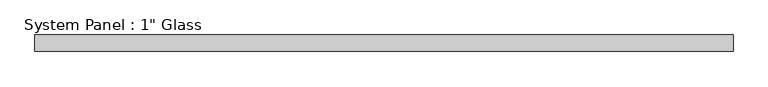
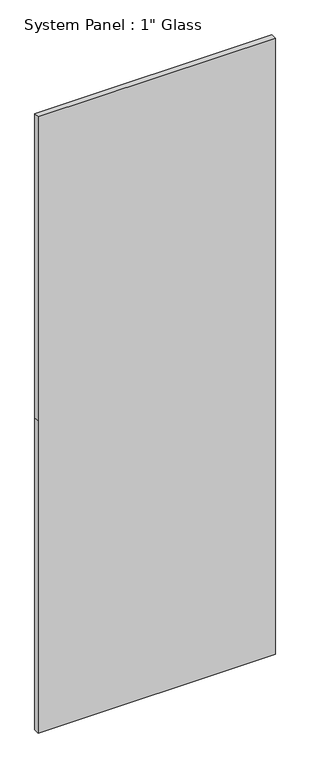
"""IFC4 building model written with IfcOpenShell, lengths in millimetres: plate geometry."""

import ifcopenshell
import ifcopenshell.guid

model = None  # the IFC model being written
_history = None  # IfcOwnerHistory: only IFC2X3 demands one
_inside = {}  # id of a spatial element -> (the spatial element, [elements in it])
_under = {}  # id of a project, library or spatial element -> (it, [spatial elements below it])
_declared = {}  # id of a project -> (the project, [libraries it declares])
_typed = {}  # id of a type object -> (the type object, [elements of that type])
_made_of = {}  # id of a material, layer set ... -> (it, [elements and type objects made of it])


def new_model(schema):
    """Start an empty IFC model of exactly this schema.

    Asked for "IFC4X3", IfcOpenShell would pick the latest addendum, in which some entities
    have other attributes; the version numbers below select the first issue.
    IFC2X3 requires an IfcOwnerHistory on every rooted entity: one is made here for all.
    """
    global model, _history
    if schema == "IFC4X3":
        model = ifcopenshell.file(schema_version=(4, 3, 0, 0))
    else:
        model = ifcopenshell.file(schema=schema)
    _inside.clear()
    _under.clear()
    _declared.clear()
    _typed.clear()
    _made_of.clear()
    _history = None
    if model.schema == "IFC2X3":
        org = make("IfcOrganization", Name="unknown")
        user = make(
            "IfcPersonAndOrganization",
            ThePerson=make("IfcPerson", FamilyName="unknown"),
            TheOrganization=org,
        )
        app = make(
            "IfcApplication",
            ApplicationDeveloper=org,
            Version="unknown",
            ApplicationFullName="unknown",
            ApplicationIdentifier="unknown",
        )
        _history = make(
            "IfcOwnerHistory",
            OwningUser=user,
            OwningApplication=app,
            ChangeAction="ADDED",
            CreationDate=0,
        )
    return model


def make(cls, **values):
    """One entity of the class cls with the attributes given. An attribute that is None is left unset."""
    return model.create_entity(
        cls, **{name: value for name, value in values.items() if value is not None}
    )


def rooted(cls, **values):
    """An entity with a GlobalId (a new one), such as an element, a storey or a relation."""
    return make(cls, GlobalId=ifcopenshell.guid.new(), OwnerHistory=_history, **values)


def si_unit(unit_type, name, prefix=None):
    """IfcSIUnit, for example si_unit("LENGTHUNIT", "METRE", prefix="MILLI")."""
    return make("IfcSIUnit", UnitType=unit_type, Prefix=prefix, Name=name)


def assignment(units):
    """IfcUnitAssignment: the units of a project."""
    return None if units is None else make("IfcUnitAssignment", Units=units)


def point(xyz):
    """IfcCartesianPoint."""
    return None if xyz is None else make("IfcCartesianPoint", Coordinates=xyz)


def direction(xyz):
    """IfcDirection."""
    return None if xyz is None else make("IfcDirection", DirectionRatios=xyz)


def frame(location, z_axis=None, x_axis=None):
    """IfcAxis2Placement3D, a coordinate frame: its origin and axes. An axis left out is left unset."""
    return make(
        "IfcAxis2Placement3D",
        Location=point(location),
        Axis=direction(z_axis),
        RefDirection=direction(x_axis),
    )


def origin():
    """The frame at (0, 0, 0) with its axes left unset."""
    return frame((0.0, 0.0, 0.0))


def place(relative_to, where):
    """IfcLocalPlacement: puts the frame where relative to a parent placement (None: the world)."""
    return make(
        "IfcLocalPlacement", PlacementRelTo=relative_to, RelativePlacement=where
    )


def context(
    kind, dimensions, precision=None, world=None, true_north=None, identifier=None
):
    """IfcGeometricRepresentationContext, for example the 3D "Model" context."""
    return make(
        "IfcGeometricRepresentationContext",
        ContextIdentifier=identifier,
        ContextType=kind,
        CoordinateSpaceDimension=dimensions,
        Precision=precision,
        WorldCoordinateSystem=world,
        TrueNorth=true_north,
    )


def project(units=None, contexts=None):
    """IfcProject with its units and contexts."""
    return rooted(
        "IfcProject",
        Name="project",
        RepresentationContexts=contexts,
        UnitsInContext=assignment(units),
    )


def spatial(cls, under=None, at=None, **own):
    """A site, building, storey or space (cls), placed at a placement, below another one or the project."""
    s = rooted(cls, ObjectPlacement=at, **own)
    if under is not None:
        _under.setdefault(under.id(), (under, []))[1].append(s)
    return s


def polyline(points):
    """IfcPolyline through the points."""
    return make("IfcPolyline", Points=[point(p) for p in points])


def outline(outer, holes=None, kind="AREA"):
    """IfcArbitraryClosedProfileDef: a profile drawn as a closed curve; with holes, ...WithVoids."""
    if holes is None:
        return make("IfcArbitraryClosedProfileDef", ProfileType=kind, OuterCurve=outer)
    return make(
        "IfcArbitraryProfileDefWithVoids",
        ProfileType=kind,
        OuterCurve=outer,
        InnerCurves=holes,
    )


def extrude(swept, where, along, depth):
    """IfcExtrudedAreaSolid: the profile swept, set in the frame where, extruded along a direction by depth."""
    return make(
        "IfcExtrudedAreaSolid",
        SweptArea=swept,
        Position=where,
        ExtrudedDirection=direction(along),
        Depth=depth,
    )


def shape(context_of_items, identifier, shape_type, items):
    """IfcShapeRepresentation: the items that make up one representation, for example the "Body"."""
    return make(
        "IfcShapeRepresentation",
        ContextOfItems=context_of_items,
        RepresentationIdentifier=identifier,
        RepresentationType=shape_type,
        Items=items,
    )


def source(mapping_origin, context_of_items, identifier, shape_type, items):
    """IfcRepresentationMap: a shape defined once, which mapped items show again and again."""
    return make(
        "IfcRepresentationMap",
        MappingOrigin=mapping_origin,
        MappedRepresentation=shape(context_of_items, identifier, shape_type, items),
    )


def transform(
    local_origin,
    x_axis=None,
    y_axis=None,
    z_axis=None,
    scale=None,
    scale2=None,
    scale3=None,
    uniform=True,
):
    """IfcCartesianTransformationOperator3D, or its non-uniform kind. x_axis, y_axis, z_axis: its Axis1, 2, 3."""
    if uniform:
        return make(
            "IfcCartesianTransformationOperator3D",
            Axis1=direction(x_axis),
            Axis2=direction(y_axis),
            LocalOrigin=point(local_origin),
            Scale=scale,
            Axis3=direction(z_axis),
        )
    return make(
        "IfcCartesianTransformationOperator3DnonUniform",
        Axis1=direction(x_axis),
        Axis2=direction(y_axis),
        LocalOrigin=point(local_origin),
        Scale=scale,
        Axis3=direction(z_axis),
        Scale2=scale2,
        Scale3=scale3,
    )


def mapped(mapping_source, mapping_target):
    """IfcMappedItem: shows the shape of a source again, moved by a transform."""
    return make(
        "IfcMappedItem", MappingSource=mapping_source, MappingTarget=mapping_target
    )


def made_of(thing, what):
    """Note that an element or type object is made of a material, layer set ...; save() writes the relation."""
    if what is not None:
        _made_of.setdefault(what.id(), (what, []))[1].append(thing)
    return thing


def element(
    cls,
    number,
    at=None,
    inside=None,
    cuts=None,
    type_object=None,
    material=None,
    context=None,
    identifier="Body",
    shape_type=None,
    held_by="IfcProductDefinitionShape",
    body=None,
    shapes=None,
    **own,
):
    """One element of the class cls, such as IfcWall. Its Tag is "e" and its number.

    at: its placement. inside: the storey or other place that contains it. cuts: it is an
    opening in that element (IfcRelVoidsElement). A single representation is given by context,
    identifier, shape_type and body (its items); several are given by shapes. held_by: the class
    of the entity that holds the representations. save() writes the other relations.
    """
    e = rooted(cls, Tag="e%d" % number, ObjectPlacement=at, **own)
    if body is not None:
        shapes = [shape(context, identifier, shape_type, body)]
    if shapes is not None:
        e.Representation = make(held_by, Representations=shapes)
    if inside is not None:
        _inside.setdefault(inside.id(), (inside, []))[1].append(e)
    if cuts is not None:
        rooted(
            "IfcRelVoidsElement", RelatingBuildingElement=cuts, RelatedOpeningElement=e
        )
    if type_object is not None:
        _typed.setdefault(type_object.id(), (type_object, []))[1].append(e)
    return made_of(e, material)


def aggregate(whole, parts):
    """IfcRelAggregates: a whole, such as a stair, and the parts it consists of."""
    return rooted("IfcRelAggregates", RelatingObject=whole, RelatedObjects=parts)


def save(model, path):
    """Write the relations noted so far, then the file.

    IfcRelAggregates (storeys below a building ...), IfcRelContainedInSpatialStructure (elements
    in a storey), IfcRelDefinesByType, IfcRelAssociatesMaterial and IfcRelDeclares: one each for
    every whole, place, type object, material and project.
    """
    for whole, parts in _under.values():
        aggregate(whole, parts)
    for where, things in _inside.values():
        rooted(
            "IfcRelContainedInSpatialStructure",
            RelatedElements=things,
            RelatingStructure=where,
        )
    for kind, things in _typed.values():
        rooted("IfcRelDefinesByType", RelatedObjects=things, RelatingType=kind)
    for what, things in _made_of.values():
        rooted("IfcRelAssociatesMaterial", RelatedObjects=things, RelatingMaterial=what)
    for by, libraries in _declared.values():
        rooted("IfcRelDeclares", RelatingContext=by, RelatedDefinitions=libraries)
    model.write(path)


def plate_83813fcc(model_context):
    return source(origin(), model_context, "Body", "SweptSolid", [
        extrude(outline(polyline([(0.0, -538.95625), (0.0, 538.95625), (1498.6, 538.95625), (2959.1, 538.95625), (2959.1, -538.95625), (1498.6, -538.95625), (0.0, -538.95625)])), frame((0.0, -12.7, 0.0), z_axis=(0.0, 1.0, 0.0), x_axis=(0.0, 0.0, 1.0)), (0.0, 0.0, 1.0), 25.4),
    ])


if __name__ == "__main__":
    model = new_model("IFC4")
    model_context = context("Model", 3, world=origin())
    ifc_project = project(units=[si_unit("LENGTHUNIT", "METRE", prefix="MILLI")], contexts=[model_context])
    site = spatial("IfcSite", under=ifc_project)
    building = spatial("IfcBuilding", under=site)
    placement = place(None, origin())
    plate_shape = plate_83813fcc(model_context)
    element("IfcPlate", 1, ObjectType="System Panel : 1\" Glass", at=placement, inside=building, context=model_context, shape_type="MappedRepresentation", body=[
        mapped(plate_shape, transform((0.0, 0.0, 0.0), x_axis=(1.0, 0.0, 0.0), y_axis=(0.0, 1.0, 0.0), z_axis=(0.0, 0.0, 1.0))),
    ])
    save(model, "model.ifc")
